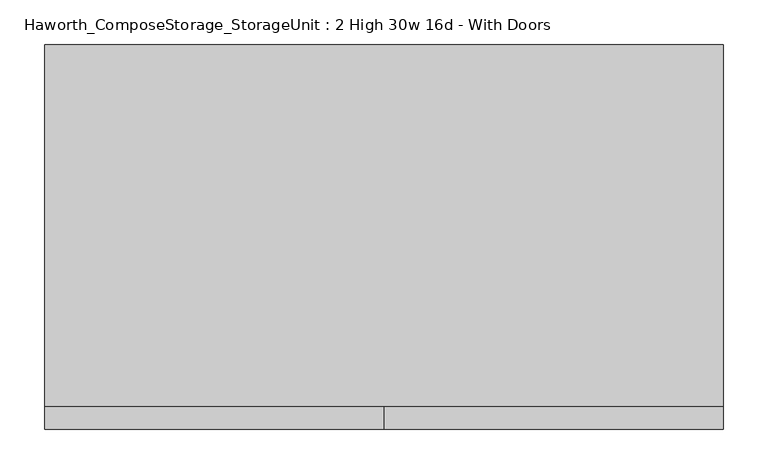
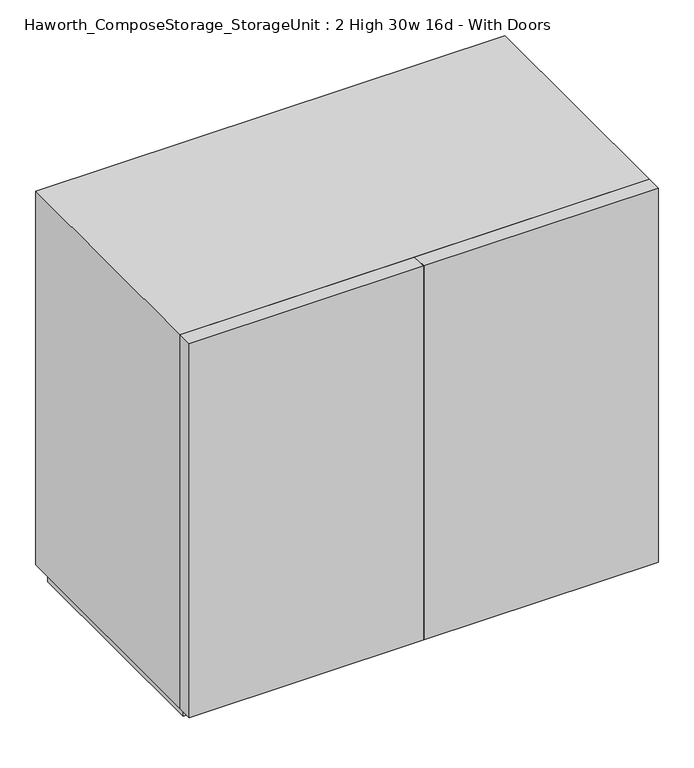
"""IFC4 building model written with IfcOpenShell, lengths in millimetres: furniture geometry, Haworth_ComposeStorage_StorageUnit : 2 High 30w 16d - With Doors."""

from ifc_helpers import new_model, si_unit, frame, origin, origin_with_axes, place, context, project, spatial, polyline, outline, extrude, source, transform, mapped, element, save


def haworth_composestorage_storageunit_2_high_30w_16d_with_doors_6c2bf309(model_context):
    return source(origin(), model_context, "Body", "SweptSolid", [
        extrude(outline(polyline([(361.9569453, 219.075), (361.9569453, -152.4), (-361.9291641, -152.4), (-361.9291641, 219.075), (361.9569453, 219.075)])), frame((0.0, 0.0, 336.55), z_axis=(0.0, 0.0, 1.0), x_axis=(1.0, 0.0, 0.0)), (0.0, 0.0, 1.0), 19.05),
        extrude(outline(polyline([(0.0138906, -177.8), (0.0138906, -152.4), (381.0138906, -152.4), (381.0138906, -177.8), (0.0138906, -177.8)])), frame((0.0, 0.0, 25.4), z_axis=(0.0, 0.0, 1.0), x_axis=(1.0, 0.0, 0.0)), (0.0, 0.0, 1.0), 641.35),
        extrude(outline(polyline([(0.0138906, -177.8), (-380.9861094, -177.8), (-380.9861094, -152.4), (0.0138906, -152.4), (0.0138906, -177.8)])), frame((0.0, 0.0, 25.4), z_axis=(0.0, 0.0, 1.0), x_axis=(1.0, 0.0, 0.0)), (0.0, 0.0, 1.0), 641.35),
        extrude(outline(polyline([(25.4, -380.9861094), (25.4, 381.0138906), (666.75, 381.0138906), (666.75, -380.9861094), (25.4, -380.9861094)]), holes=[polyline([(44.45, -361.9361094), (647.7, -361.9361094), (647.7, 361.9569453), (44.45, 361.9569453), (44.45, -361.9361094)])]), frame((0.0, -152.4, 0.0), z_axis=(0.0, 1.0, 0.0), x_axis=(0.0, 0.0, 1.0)), (0.0, 0.0, 1.0), 406.4),
        extrude(outline(polyline([(-361.9291641, 219.075), (-361.9291641, 228.6), (361.9569453, 228.6), (361.9569453, 219.075), (-361.9291641, 219.075)])), frame((0.0, 0.0, 44.45), z_axis=(0.0, 0.0, 1.0), x_axis=(1.0, 0.0, 0.0)), (0.0, 0.0, 1.0), 603.25),
        extrude(outline(polyline([(368.3138906, -139.7), (-368.2861094, -139.7), (-368.2861094, 241.3), (368.3138906, 241.3), (368.3138906, -139.7)])), origin_with_axes(), (0.0, 0.0, 1.0), 25.4),
    ])


if __name__ == "__main__":
    model = new_model("IFC4")
    model_context = context("Model", 3, world=origin())
    ifc_project = project(units=[si_unit("LENGTHUNIT", "METRE", prefix="MILLI")], contexts=[model_context])
    site = spatial("IfcSite", under=ifc_project)
    building = spatial("IfcBuilding", under=site)
    placement = place(None, origin())
    haworth_composestorage_storageunit_2_high_30w_16d_with_doors_shape = haworth_composestorage_storageunit_2_high_30w_16d_with_doors_6c2bf309(model_context)
    element("IfcFurniture", 1, ObjectType="Haworth_ComposeStorage_StorageUnit : 2 High 30w 16d - With Doors", at=placement, inside=building, context=model_context, shape_type="MappedRepresentation", body=[
        mapped(haworth_composestorage_storageunit_2_high_30w_16d_with_doors_shape, transform((0.0, 0.0, 0.0), x_axis=(1.0, 0.0, 0.0), y_axis=(0.0, 1.0, 0.0), z_axis=(0.0, 0.0, 1.0))),
    ])
    save(model, "model.ifc")
